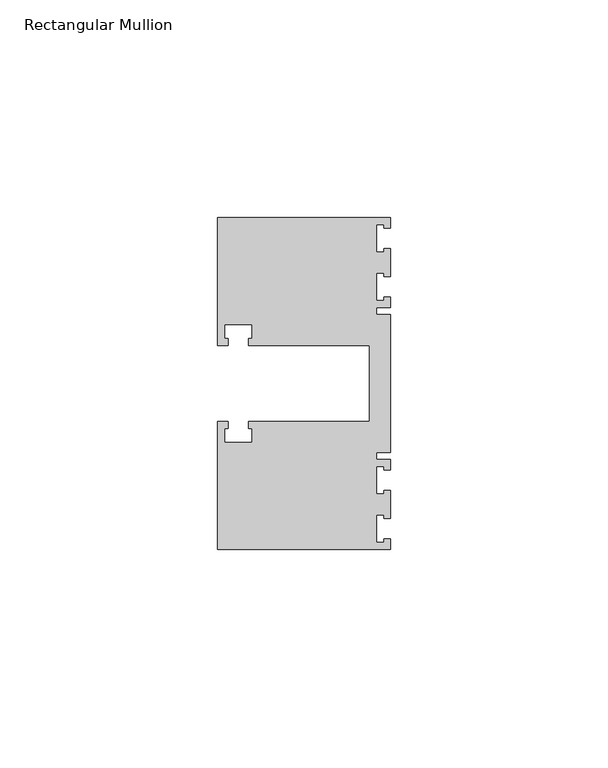
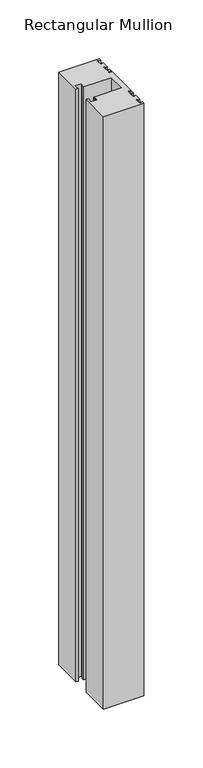
"""IFC4 building model written with IfcOpenShell, lengths in millimetres: member geometry, Rectangular Mullion."""

from ifc_helpers import new_model, si_unit, frame, origin, place, context, project, spatial, polyline, outline, extrude, source, transform, mapped, element, save


def rectangular_mullion_eff9ddb9(model_context):
    return source(origin(), model_context, "Body", "SweptSolid", [
        extrude(outline(polyline([(0.0, 38.1), (0.0, 35.71875), (-1.4999946, 35.71875), (-1.4999946, 36.5125), (-3.175, 36.5125), (-3.175, 30.1625), (-1.4999946, 30.1625), (-1.4999946, 30.95625), (0.0, 30.95625), (0.0, 24.60625), (-1.4999946, 24.60625), (-1.4999946, 25.4), (-3.175, 25.4), (-3.175, 19.05), (-1.4999946, 19.05), (-1.4999946, 19.84375), (0.0, 19.84375), (0.0, 17.4625), (-3.175, 17.4625), (-3.175, 15.875), (0.0, 15.875), (0.0, -15.875), (-3.175, -15.875), (-3.175, -17.4625), (0.0, -17.4625), (0.0, -19.84375), (-1.4999946, -19.84375), (-1.4999946, -19.05), (-3.175, -19.05), (-3.175, -25.4), (-1.4999946, -25.4), (-1.4999946, -24.60625), (0.0, -24.60625), (0.0, -30.95625), (-1.4999946, -30.95625), (-1.4999946, -30.1625), (-3.175, -30.1625), (-3.175, -36.5125), (-1.4999946, -36.5125), (-1.4999946, -35.71875), (0.0, -35.71875), (0.0, -38.1), (-39.6875, -38.1), (-39.6875, -8.73125), (-37.30625, -8.73125), (-37.30625, -10.31875), (-38.1, -10.31875), (-38.1, -13.49375), (-31.75, -13.49375), (-31.75, -10.31875), (-32.54375, -10.31875), (-32.54375, -8.73125), (-4.8585733, -8.73125), (-4.8585733, 8.73125), (-32.54375, 8.73125), (-32.54375, 10.31875), (-31.75, 10.31875), (-31.75, 13.49375), (-38.1, 13.49375), (-38.1, 10.31875), (-37.30625, 10.31875), (-37.30625, 8.73125), (-39.6875, 8.73125), (-39.6875, 38.1), (0.0, 38.1)])), frame((0.0, 0.0, -615.95), z_axis=(0.0, 0.0, 1.0), x_axis=(1.0, 0.0, 0.0)), (0.0, 0.0, 1.0), 615.95),
    ])


if __name__ == "__main__":
    model = new_model("IFC4")
    model_context = context("Model", 3, world=origin())
    ifc_project = project(units=[si_unit("LENGTHUNIT", "METRE", prefix="MILLI")], contexts=[model_context])
    site = spatial("IfcSite", under=ifc_project)
    building = spatial("IfcBuilding", under=site)
    placement = place(None, origin())
    rectangular_mullion_shape = rectangular_mullion_eff9ddb9(model_context)
    element("IfcMember", 1, ObjectType="Rectangular Mullion", at=placement, inside=building, context=model_context, shape_type="MappedRepresentation", body=[
        mapped(rectangular_mullion_shape, transform((0.0, 0.0, 0.0), x_axis=(1.0, 0.0, 0.0), y_axis=(0.0, 1.0, 0.0), z_axis=(0.0, 0.0, 1.0))),
    ])
    save(model, "model.ifc")
